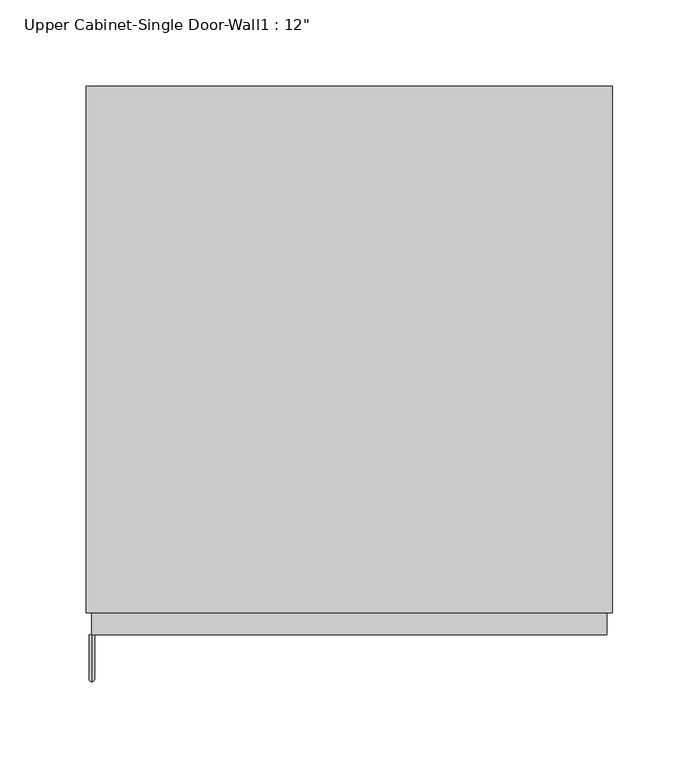
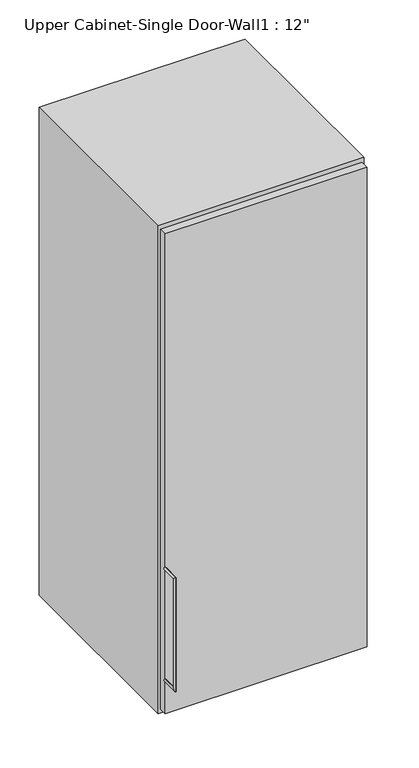
"""IFC4 building model written with IfcOpenShell, lengths in millimetres: furniture geometry."""

from ifc_helpers import new_model, si_unit, frame, origin, place, context, project, spatial, polyline, circle_curve, ellipse_curve, outline, extrude, faceted_brep, source, transform, mapped, element, save
from ifc_brep_helpers import plane_surface, cylinder_surface, advanced_brep


def furniture_ec487e03(model_context):
    return source(origin(), model_context, "Body", "SolidModel", [
        advanced_brep(
        [(-119.4538372, -379.4125, 1431.925), (-119.4538372, -379.4125, 1428.75), (-119.4538372, -406.4, 1428.75), (-119.4538372, -403.225, 1431.925), (-119.4538372, -406.4, 1606.55), (-119.4538372, -403.225, 1603.375), (-119.4538372, -379.4125, 1603.375), (-119.4538372, -379.4125, 1606.55)],
        [
            (0, 1, circle_curve(frame((-119.4538372, -379.4125, 1430.3375), z_axis=(0.0, 1.0, 0.0), x_axis=(0.0, 0.0, -1.0)), 1.5875)),
            (1, 0, circle_curve(frame((-119.4538372, -379.4125, 1430.3375), z_axis=(0.0, 1.0, 0.0), x_axis=(0.0, 0.0, -1.0)), 1.5875)),
            (1, 2),
            (2, 3, ellipse_curve(frame((-119.4538372, -404.8125, 1430.3375), z_axis=(0.0, 0.7071067811865498, -0.7071067811865454), x_axis=(0.0, 0.7071067811865451, 0.7071067811865498)), 2.245064, 1.5875)),
            (3, 0),
            (3, 2, ellipse_curve(frame((-119.4538372, -404.8125, 1430.3375), z_axis=(0.0, 0.7071067811865498, -0.7071067811865454), x_axis=(0.0, 0.7071067811865451, 0.7071067811865498)), 2.245064, 1.5875)),
            (2, 4),
            (4, 5, ellipse_curve(frame((-119.4538372, -404.8125, 1604.9625), z_axis=(0.0, -0.7071067811865452, -0.7071067811865497), x_axis=(0.0, 0.7071067811865496, -0.7071067811865455)), 2.245064, 1.5875)),
            (5, 3),
            (5, 4, ellipse_curve(frame((-119.4538372, -404.8125, 1604.9625), z_axis=(0.0, -0.7071067811865452, -0.7071067811865497), x_axis=(0.0, 0.7071067811865496, -0.7071067811865455)), 2.245064, 1.5875)),
            (6, 7, circle_curve(frame((-119.4538372, -379.4125, 1604.9625), z_axis=(0.0, 1.0, 0.0), x_axis=(0.0, 0.0, 1.0)), 1.5875)),
            (7, 6, circle_curve(frame((-119.4538372, -379.4125, 1604.9625), z_axis=(0.0, 1.0, 0.0), x_axis=(0.0, 0.0, 1.0)), 1.5875)),
            (4, 7),
            (6, 5),
        ],
        [
            plane_surface(frame((-119.4538372, -379.4125, 1430.3375), z_axis=(0.0, 1.0, 0.0), x_axis=(-1.0, 0.0, 0.0))),
            cylinder_surface(frame((-119.4538372, -379.4125, 1430.3375), z_axis=(0.0, 1.0, 0.0), x_axis=(0.0, 0.0, -1.0)), 1.5875),
            cylinder_surface(frame((-119.4538372, -404.8125, 1430.3375), z_axis=(0.0, 0.0, -1.0), x_axis=(0.0, -1.0, 0.0)), 1.5875),
            plane_surface(frame((-119.4538372, -379.4125, 1604.9625), z_axis=(0.0, 1.0, 0.0), x_axis=(-1.0, 0.0, 0.0))),
            cylinder_surface(frame((-119.4538372, -404.8125, 1604.9625), z_axis=(0.0, -1.0, 0.0), x_axis=(0.0, 0.0, 1.0)), 1.5875),
        ],
        [
            (0, [[1, 2]]),
            (1, [[3, 4, 5, -2]]),
            (1, [[-5, 6, -3, -1]]),
            (2, [[7, 8, 9, -4]]),
            (2, [[-9, 10, -7, -6]]),
            (3, [[11, 12]]),
            (4, [[13, -11, 14, -8]]),
            (4, [[-14, -12, -13, -10]]),
        ],
    ),
        faceted_brep([(-122.6288372, -61.9125, 2133.6), (182.1711628, -61.9125, 2133.6), (182.1711628, -61.9125, 1371.6), (-122.6288372, -61.9125, 1371.6), (-122.6288372, -366.7125, 2133.6), (-122.6288372, -366.7125, 1371.6), (182.1711628, -366.7125, 1371.6), (182.1711628, -366.7125, 2133.6), (-103.5788372, -366.7125, 2114.55), (163.1211628, -366.7125, 2114.55), (163.1211628, -366.7125, 1390.65), (-103.5788372, -366.7125, 1390.65), (-103.5788372, -80.9625, 2114.55), (163.1211628, -80.9625, 2114.55), (163.1211628, -80.9625, 1390.65), (-103.5788372, -80.9625, 1390.65)], [[[0, 1, 2, 3]], [[4, 5, 6, 7], [8, 9, 10, 11]], [[3, 5, 4, 0]], [[2, 6, 5, 3]], [[1, 7, 6, 2]], [[0, 4, 7, 1]], [[8, 12, 13, 9]], [[9, 13, 14, 10]], [[10, 14, 15, 11]], [[11, 15, 12, 8]], [[12, 15, 14, 13]]]),
        extrude(outline(polyline([(-119.4538372, -379.4125), (-119.4538372, -347.6625), (178.9961628, -347.6625), (178.9961628, -379.4125), (-119.4538372, -379.4125)])), frame((0.0, 0.0, 1377.95), z_axis=(0.0, 0.0, 1.0), x_axis=(1.0, 0.0, 0.0)), (0.0, 0.0, 1.0), 749.3),
    ])


if __name__ == "__main__":
    model = new_model("IFC4")
    model_context = context("Model", 3, world=origin())
    ifc_project = project(units=[si_unit("LENGTHUNIT", "METRE", prefix="MILLI")], contexts=[model_context])
    site = spatial("IfcSite", under=ifc_project)
    building = spatial("IfcBuilding", under=site)
    placement = place(None, origin())
    furniture_shape = furniture_ec487e03(model_context)
    element("IfcFurniture", 1, ObjectType="Upper Cabinet-Single Door-Wall1 : 12\"", at=placement, inside=building, context=model_context, shape_type="MappedRepresentation", body=[
        mapped(furniture_shape, transform((0.0, 0.0, 0.0), x_axis=(1.0, 0.0, 0.0), y_axis=(0.0, 1.0, 0.0), z_axis=(0.0, 0.0, 1.0))),
    ])
    save(model, "model.ifc")
